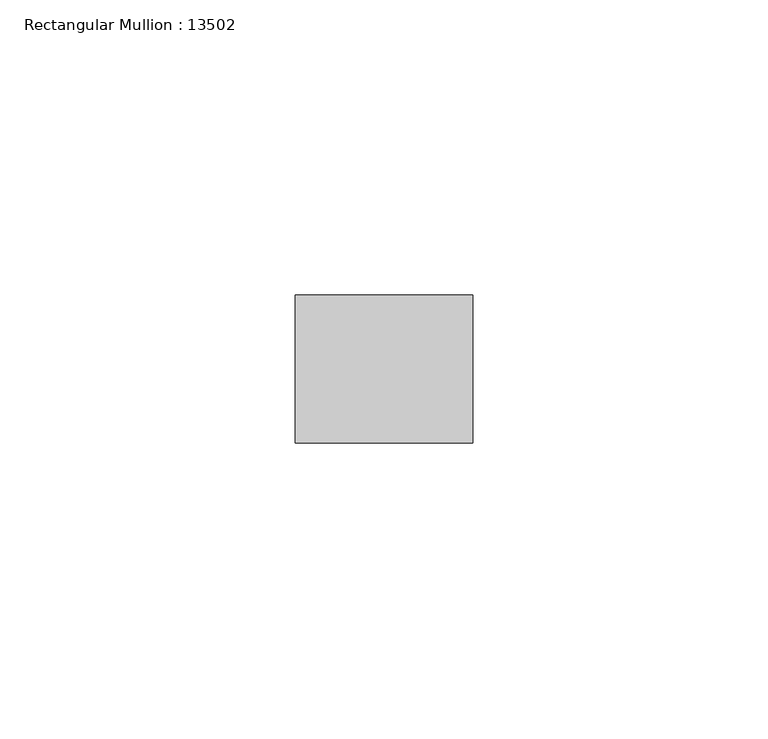
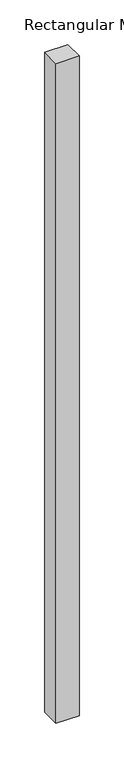
"""IFC4 building model written with IfcOpenShell, lengths in millimetres: member geometry, Rectangular Mullion : 13502."""

from ifc_helpers import new_model, si_unit, frame, origin, place, context, project, spatial, polyline, outline, extrude, source, transform, mapped, element, save


def rectangular_mullion_13502_aa9a6c7d(model_context):
    return source(origin(), model_context, "Body", "SweptSolid", [
        extrude(outline(polyline([(0.0, 12.5), (0.0, -12.5), (-29.9999993, -12.5), (-29.9999993, 12.5), (0.0, 12.5)])), frame((0.0, 0.0, -900.0), z_axis=(0.0, 0.0, 1.0), x_axis=(1.0, 0.0, 0.0)), (0.0, 0.0, 1.0), 900.0),
    ])


if __name__ == "__main__":
    model = new_model("IFC4")
    model_context = context("Model", 3, world=origin())
    ifc_project = project(units=[si_unit("LENGTHUNIT", "METRE", prefix="MILLI")], contexts=[model_context])
    site = spatial("IfcSite", under=ifc_project)
    building = spatial("IfcBuilding", under=site)
    placement = place(None, origin())
    rectangular_mullion_13502_shape = rectangular_mullion_13502_aa9a6c7d(model_context)
    element("IfcMember", 1, ObjectType="Rectangular Mullion : 13502", at=placement, inside=building, context=model_context, shape_type="MappedRepresentation", body=[
        mapped(rectangular_mullion_13502_shape, transform((0.0, 0.0, 0.0), x_axis=(1.0, 0.0, 0.0), y_axis=(0.0, 1.0, 0.0), z_axis=(0.0, 0.0, 1.0))),
    ])
    save(model, "model.ifc")
